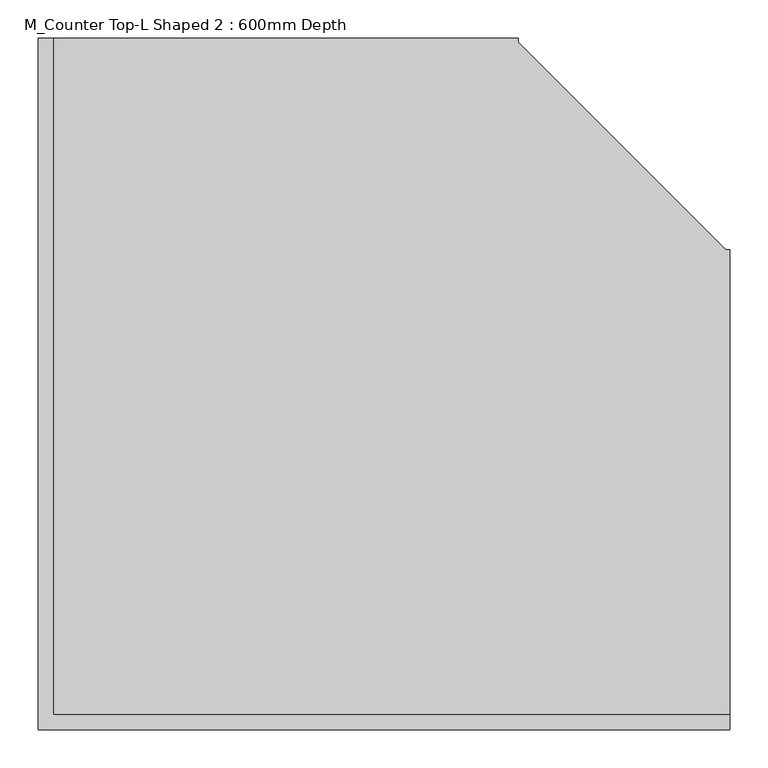
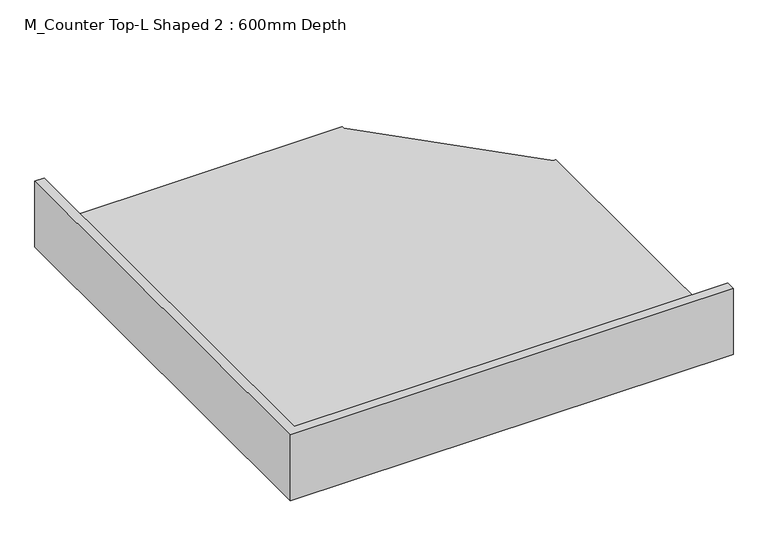
"""IFC4 building model written with IfcOpenShell, lengths in millimetres: furniture geometry, M_Counter Top-L Shaped 2 : 600mm Depth."""

from ifc_helpers import new_model, si_unit, origin, place, context, project, spatial, faceted_brep, source, transform, mapped, element, save


def m_counter_top_l_shaped_2_600mm_depth_d899d79d(model_context):
    return source(origin(), model_context, "Body", "Brep", [
        faceted_brep([(-575.4622951, 900.0, 900.0), (-1181.4122951, 900.0, 900.0), (-1181.4122951, 19.05, 900.0), (-300.4622951, 19.05, 900.0), (-300.4622951, 625.0, 900.0), (-305.4622951, 625.0, 900.0), (-575.4622951, 895.0, 900.0), (-300.4622951, 0.0, 860.0), (-1200.4622951, 0.0, 860.0), (-1200.4622951, 900.0, 860.0), (-575.4622951, 900.0, 860.0), (-575.4622951, 895.0, 860.0), (-305.4622951, 625.0, 860.0), (-300.4622951, 625.0, 860.0), (-300.4622951, 0.0, 1001.6), (-1200.4622951, 0.0, 1001.6), (-1200.4622951, 900.0, 1001.6), (-1181.4122951, 900.0, 1001.6), (-300.4622951, 19.05, 1001.6), (-1181.4122951, 19.05, 1001.6)], [[[0, 1, 2, 3, 4, 5, 6]], [[7, 8, 9, 10, 11, 12, 13]], [[7, 14, 15, 8]], [[8, 15, 16, 9]], [[16, 17, 1, 0, 10, 9]], [[6, 11, 10, 0]], [[5, 12, 11, 6]], [[4, 13, 12, 5]], [[13, 4, 3, 18, 14, 7]], [[15, 14, 18, 19, 17, 16]], [[3, 2, 19, 18]], [[19, 2, 1, 17]]]),
    ])


if __name__ == "__main__":
    model = new_model("IFC4")
    model_context = context("Model", 3, world=origin())
    ifc_project = project(units=[si_unit("LENGTHUNIT", "METRE", prefix="MILLI")], contexts=[model_context])
    site = spatial("IfcSite", under=ifc_project)
    building = spatial("IfcBuilding", under=site)
    placement = place(None, origin())
    m_counter_top_l_shaped_2_600mm_depth_shape = m_counter_top_l_shaped_2_600mm_depth_d899d79d(model_context)
    element("IfcFurniture", 1, ObjectType="M_Counter Top-L Shaped 2 : 600mm Depth", at=placement, inside=building, context=model_context, shape_type="MappedRepresentation", body=[
        mapped(m_counter_top_l_shaped_2_600mm_depth_shape, transform((0.0, 0.0, 0.0), x_axis=(1.0, 0.0, 0.0), y_axis=(0.0, 1.0, 0.0), z_axis=(0.0, 0.0, 1.0))),
    ])
    save(model, "model.ifc")
